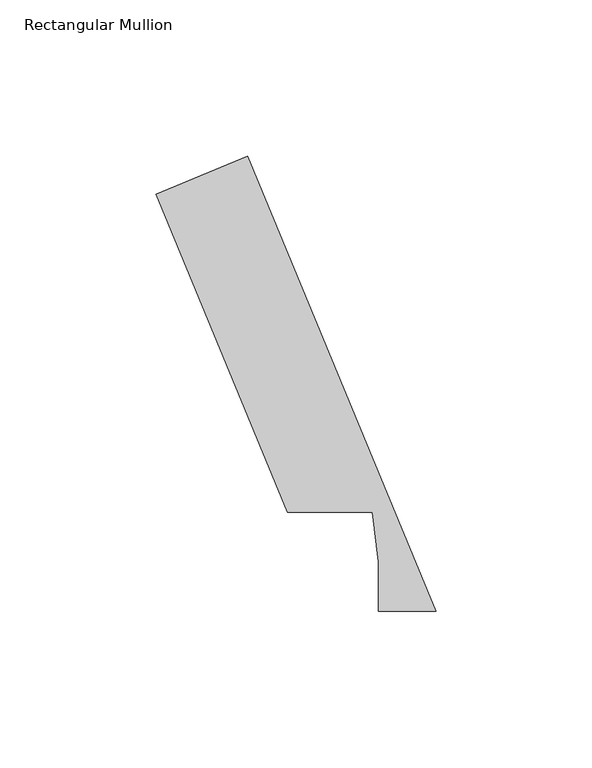
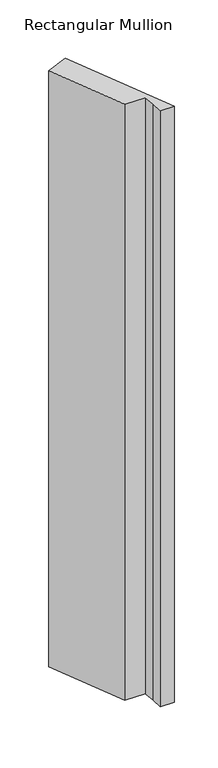
"""IFC4 building model written with IfcOpenShell, lengths in millimetres: member geometry, Rectangular Mullion."""

from ifc_helpers import new_model, si_unit, frame, origin, place, context, project, spatial, polyline, outline, extrude, source, transform, mapped, element, save


def rectangular_mullion_b884f745(model_context):
    return source(origin(), model_context, "Body", "SweptSolid", [
        extrude(outline(polyline([(-97.7891298, 153.2347441), (-68.4559547, 165.384943), (-8.0475254, 19.5460937), (-26.4670259, 19.5460937), (-26.4670259, 35.4210937), (-28.3687568, 51.2960938), (-55.5647583, 51.2960938), (-97.7891298, 153.2347441)])), frame((0.0, 0.0, -838.2000001), z_axis=(0.0, 0.0, 1.0), x_axis=(1.0, 0.0, 0.0)), (0.0, 0.0, 1.0), 838.2000001),
    ])


if __name__ == "__main__":
    model = new_model("IFC4")
    model_context = context("Model", 3, world=origin())
    ifc_project = project(units=[si_unit("LENGTHUNIT", "METRE", prefix="MILLI")], contexts=[model_context])
    site = spatial("IfcSite", under=ifc_project)
    building = spatial("IfcBuilding", under=site)
    placement = place(None, origin())
    rectangular_mullion_shape = rectangular_mullion_b884f745(model_context)
    element("IfcMember", 1, ObjectType="Rectangular Mullion", at=placement, inside=building, context=model_context, shape_type="MappedRepresentation", body=[
        mapped(rectangular_mullion_shape, transform((0.0, 0.0, 0.0), x_axis=(1.0, 0.0, 0.0), y_axis=(0.0, 1.0, 0.0), z_axis=(0.0, 0.0, 1.0))),
    ])
    save(model, "model.ifc")
